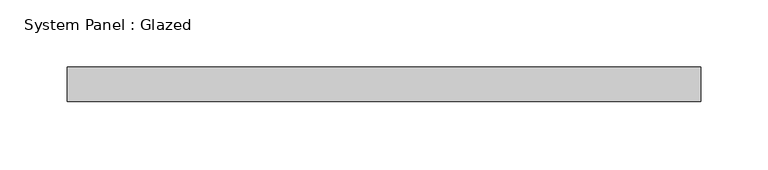
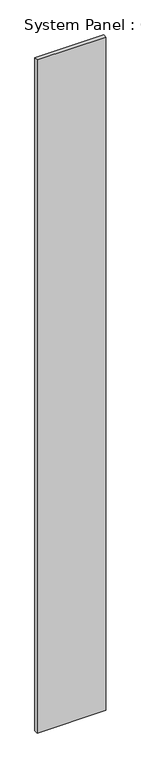
"""IFC4 building model written with IfcOpenShell, lengths in millimetres: plate geometry, System Panel : Glazed."""

from ifc_helpers import new_model, si_unit, origin, origin_with_axes, place, context, project, spatial, polyline, outline, extrude, source, transform, mapped, element, save


def system_panel_glazed_a8827566(model_context):
    return source(origin(), model_context, "Body", "SweptSolid", [
        extrude(outline(polyline([(234.9499998, 19.05), (-234.9499998, 19.05), (-234.9499998, 44.45), (234.9499998, 44.45), (234.9499998, 19.05)])), origin_with_axes(), (0.0, 0.0, 1.0), 4876.8),
    ])


if __name__ == "__main__":
    model = new_model("IFC4")
    model_context = context("Model", 3, world=origin())
    ifc_project = project(units=[si_unit("LENGTHUNIT", "METRE", prefix="MILLI")], contexts=[model_context])
    site = spatial("IfcSite", under=ifc_project)
    building = spatial("IfcBuilding", under=site)
    placement = place(None, origin())
    system_panel_glazed_shape = system_panel_glazed_a8827566(model_context)
    element("IfcPlate", 1, ObjectType="System Panel : Glazed", at=placement, inside=building, context=model_context, shape_type="MappedRepresentation", body=[
        mapped(system_panel_glazed_shape, transform((0.0, 0.0, 0.0), x_axis=(1.0, 0.0, 0.0), y_axis=(0.0, 1.0, 0.0), z_axis=(0.0, 0.0, 1.0))),
    ])
    save(model, "model.ifc")
